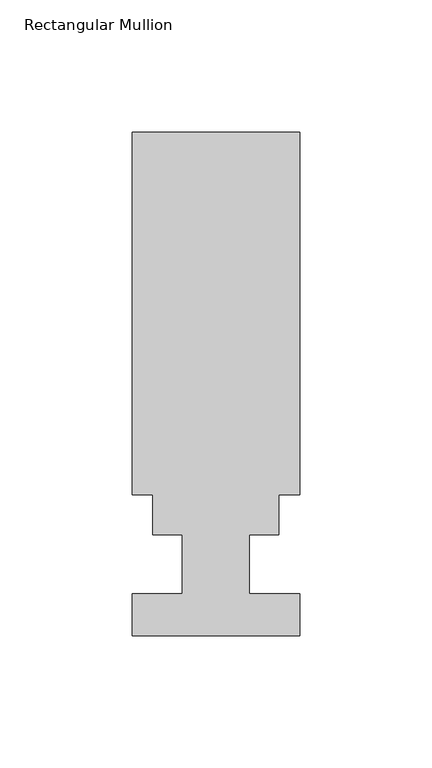
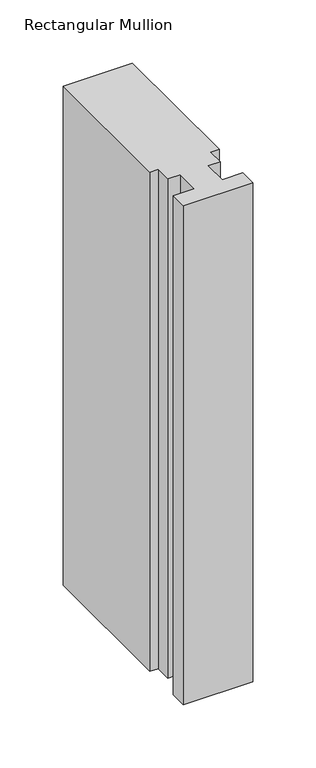
"""IFC4 building model written with IfcOpenShell, lengths in millimetres: member geometry, Rectangular Mullion."""

from ifc_helpers import new_model, si_unit, frame, origin, place, context, project, spatial, polyline, outline, extrude, source, transform, mapped, element, save


def rectangular_mullion_ddd2a127(model_context):
    return source(origin(), model_context, "Body", "SweptSolid", [
        extrude(outline(polyline([(31.75, 152.4992188), (31.75, 15.1614188), (23.8252, 15.1614188), (23.8252, 0.0992187), (12.7, 0.0992187), (12.7, -22.3797812), (31.75, -22.3797812), (31.75, -38.2293812), (-31.75, -38.2293812), (-31.75, -22.3797812), (-12.7, -22.3797812), (-12.7, 0.0992187), (-23.8252, 0.0992187), (-23.8252, 15.1614188), (-31.75, 15.1614188), (-31.75, 152.4992188), (31.75, 152.4992188)])), frame((0.0, 0.0, -482.952149), z_axis=(0.0, 0.0, 1.0), x_axis=(1.0, 0.0, 0.0)), (0.0, 0.0, 1.0), 482.952149),
    ])


if __name__ == "__main__":
    model = new_model("IFC4")
    model_context = context("Model", 3, world=origin())
    ifc_project = project(units=[si_unit("LENGTHUNIT", "METRE", prefix="MILLI")], contexts=[model_context])
    site = spatial("IfcSite", under=ifc_project)
    building = spatial("IfcBuilding", under=site)
    placement = place(None, origin())
    rectangular_mullion_shape = rectangular_mullion_ddd2a127(model_context)
    element("IfcMember", 1, ObjectType="Rectangular Mullion", at=placement, inside=building, context=model_context, shape_type="MappedRepresentation", body=[
        mapped(rectangular_mullion_shape, transform((0.0, 0.0, 0.0), x_axis=(1.0, 0.0, 0.0), y_axis=(0.0, 1.0, 0.0), z_axis=(0.0, 0.0, 1.0))),
    ])
    save(model, "model.ifc")
